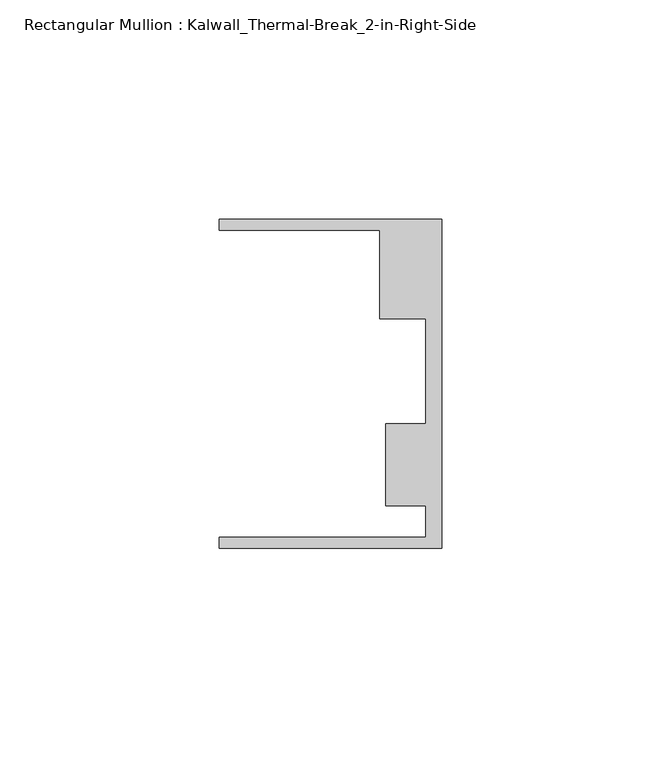
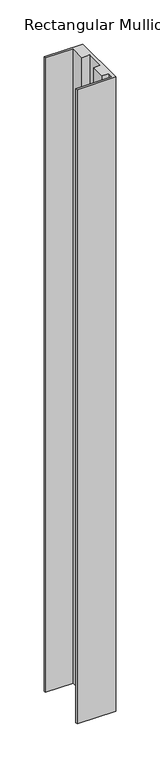
"""IFC4 building model written with IfcOpenShell, lengths in millimetres: member geometry, Rectangular Mullion : Kalwall_Thermal-Break_2-in-Right-Side."""

from ifc_helpers import new_model, si_unit, frame, origin, place, context, project, spatial, polyline, outline, extrude, source, transform, mapped, element, save


def rectangular_mullion_kalwall_thermal_break_2_in_right_side_d35ed040(model_context):
    return source(origin(), model_context, "Body", "SweptSolid", [
        extrude(outline(polyline([(0.0, -37.5776386), (-50.8, -37.5776386), (-50.8, -35.0376386), (-3.7084, -35.0376386), (-3.7084, -27.8888568), (-12.8272539, -27.8888568), (-12.8272539, -9.1879886), (-3.7084, -9.1879886), (-3.7084, 14.7439614), (-14.1732, 14.7439614), (-14.1732, 34.9623614), (-50.8, 34.9623614), (-50.8, 37.5023614), (0.0, 37.5023614), (0.0, -37.5776386)])), frame((0.0, 0.0, -879.475), z_axis=(0.0, 0.0, 1.0), x_axis=(1.0, 0.0, 0.0)), (0.0, 0.0, 1.0), 879.475),
    ])


if __name__ == "__main__":
    model = new_model("IFC4")
    model_context = context("Model", 3, world=origin())
    ifc_project = project(units=[si_unit("LENGTHUNIT", "METRE", prefix="MILLI")], contexts=[model_context])
    site = spatial("IfcSite", under=ifc_project)
    building = spatial("IfcBuilding", under=site)
    placement = place(None, origin())
    rectangular_mullion_kalwall_thermal_break_2_in_right_side_shape = rectangular_mullion_kalwall_thermal_break_2_in_right_side_d35ed040(model_context)
    element("IfcMember", 1, ObjectType="Rectangular Mullion : Kalwall_Thermal-Break_2-in-Right-Side", at=placement, inside=building, context=model_context, shape_type="MappedRepresentation", body=[
        mapped(rectangular_mullion_kalwall_thermal_break_2_in_right_side_shape, transform((0.0, 0.0, 0.0), x_axis=(1.0, 0.0, 0.0), y_axis=(0.0, 1.0, 0.0), z_axis=(0.0, 0.0, 1.0))),
    ])
    save(model, "model.ifc")
